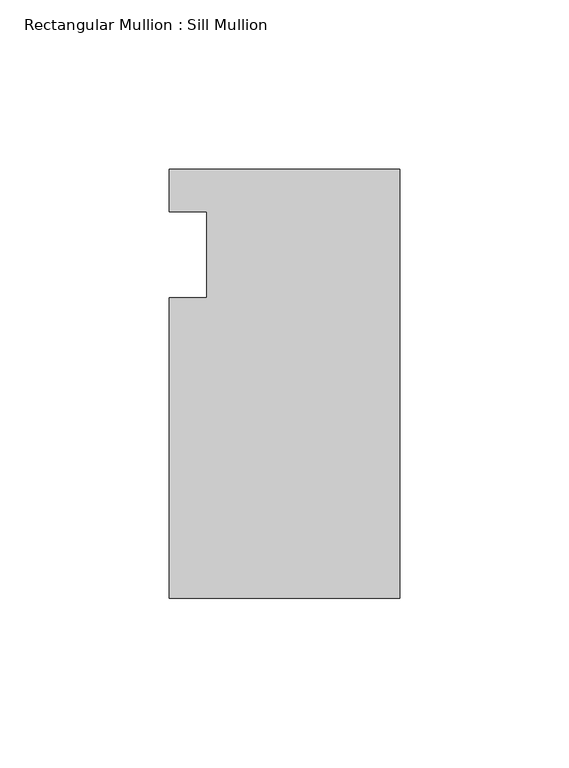
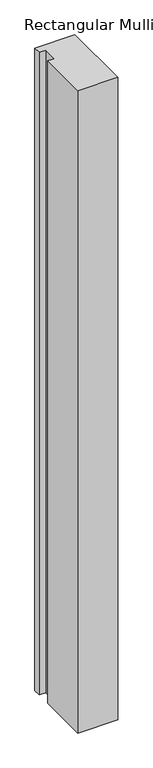
"""IFC4 building model written with IfcOpenShell, lengths in millimetres: member geometry, Rectangular Mullion : Sill Mullion."""

from ifc_helpers import new_model, si_unit, frame, origin, place, context, project, spatial, polyline, outline, extrude, source, transform, mapped, element, save


def rectangular_mullion_sill_mullion_440d94a0(model_context):
    return source(origin(), model_context, "Body", "SweptSolid", [
        extrude(outline(polyline([(0.0, -101.6), (-68.2625, -101.6), (-68.2625, -12.6491029), (-57.112934, -12.6491029), (-57.112934, 12.7508971), (-68.2625, 12.7508971), (-68.2625, 25.4), (0.0, 25.4), (0.0, -101.6)])), frame((0.0, 0.0, -1162.0256284), z_axis=(0.0, 0.0, 1.0), x_axis=(1.0, 0.0, 0.0)), (0.0, 0.0, 1.0), 1162.0256284),
    ])


if __name__ == "__main__":
    model = new_model("IFC4")
    model_context = context("Model", 3, world=origin())
    ifc_project = project(units=[si_unit("LENGTHUNIT", "METRE", prefix="MILLI")], contexts=[model_context])
    site = spatial("IfcSite", under=ifc_project)
    building = spatial("IfcBuilding", under=site)
    placement = place(None, origin())
    rectangular_mullion_sill_mullion_shape = rectangular_mullion_sill_mullion_440d94a0(model_context)
    element("IfcMember", 1, ObjectType="Rectangular Mullion : Sill Mullion", at=placement, inside=building, context=model_context, shape_type="MappedRepresentation", body=[
        mapped(rectangular_mullion_sill_mullion_shape, transform((0.0, 0.0, 0.0), x_axis=(1.0, 0.0, 0.0), y_axis=(0.0, 1.0, 0.0), z_axis=(0.0, 0.0, 1.0))),
    ])
    save(model, "model.ifc")
